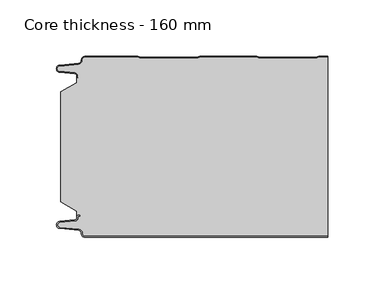
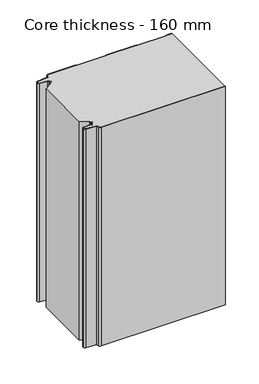
"""IFC4 building model written with IfcOpenShell, lengths in millimetres: plate geometry, Core thickness - 160 mm."""

from ifc_helpers import new_model, si_unit, frame, origin, place, context, project, spatial, polyline, circle_curve, source, transform, mapped, element, save
from ifc_brep_helpers import plane_surface, cylinder_surface, revolved_surface, advanced_brep


def core_thickness_160_mm_c2608eca(model_context):
    return source(origin(), model_context, "Body", "AdvancedBrep", [
        advanced_brep(
        [(-94.8000003, -159.9996949, 0.0), (-97.9923632, -156.5787437, 0.0), (-100.2560431, -153.9171154, 0.0), (-117.2115315, -152.2546153, 0.0), (-119.9999998, -149.1776715, 0.0), (-117.2115315, -146.1007278, 0.0), (-103.6195785, -144.7680252, 0.0), (-101.9952277, -142.9766159, 0.0), (-101.9952277, -141.8996949, 0.0), (-100.5952277, -140.4996949, 0.0), (-99.4952277, -140.4996949, 0.0), (-99.4952277, -141.2996949, 0.0), (-100.5952277, -141.2996949, 0.0), (-101.1952277, -141.8996949, 0.0), (-101.1952277, -142.9766159, 0.0), (-103.5415122, -145.5642071, 0.0), (-117.1334652, -146.8969097, 0.0), (-119.1999997, -149.1776715, 0.0), (-117.1334652, -151.4584333, 0.0), (-100.1779767, -153.1209335, 0.0), (-97.2078761, -156.6330399, 0.0), (-94.8000003, -159.1996949, 0.0), (119.9999998, -159.2, 0.0), (119.9999998, -159.9996949, 0.0), (-94.8000003, -159.1996949, 400.0), (-97.1942724, -156.6339815, 400.0), (-100.1779767, -153.1209335, 400.0), (-117.1334652, -151.4584333, 400.0), (-119.1999997, -149.1776715, 400.0), (-117.1334652, -146.8969097, 400.0), (-103.5415122, -145.5642071, 400.0), (-101.1952277, -142.9766159, 400.0), (-101.1952277, -141.8996949, 400.0), (-100.5952277, -141.2996949, 400.0), (-99.4952277, -141.2996949, 400.0), (-99.4952277, -140.4996949, 400.0), (-100.5952277, -140.4996949, 400.0), (-101.9952277, -141.8996949, 400.0), (-101.9952277, -142.9766159, 400.0), (-103.6195785, -144.7680252, 400.0), (-117.2115315, -146.1007278, 400.0), (-119.9999998, -149.1776715, 400.0), (-117.2115315, -152.2546153, 400.0), (-100.2560431, -153.9171154, 400.0), (-98.0059668, -156.5778021, 400.0), (-94.8000003, -159.9996949, 400.0), (119.9999998, -159.9996949, 400.0), (119.9999998, -159.2, 400.0)],
        [
            (0, 1, circle_curve(frame((-94.8000003, -156.7996949, 0.0), z_axis=(0.0, 0.0, -1.0), x_axis=(1.0, 0.0, 0.0)), 3.2)),
            (1, 2, circle_curve(frame((-100.5000003, -156.4051839, 0.0), z_axis=(0.0, 0.0, 1.0), x_axis=(1.0, 0.0, 0.0)), 2.5)),
            (2, 3),
            (3, 4, circle_curve(frame((-116.9100003, -149.1793626, 0.0), z_axis=(0.0, 0.0, -1.0), x_axis=(1.0, 0.0, 0.0)), 3.09)),
            (4, 5, circle_curve(frame((-116.9100003, -149.1759805, 0.0), z_axis=(0.0, 0.0, -1.0), x_axis=(1.0, 0.0, 0.0)), 3.09)),
            (5, 6),
            (6, 7, circle_curve(frame((-103.7952277, -142.9766159, 0.0), z_axis=(0.0, 0.0, 1.0), x_axis=(1.0, 0.0, 0.0)), 1.8)),
            (7, 8),
            (8, 9, circle_curve(frame((-100.5952277, -141.8996949, 0.0), z_axis=(0.0, 0.0, -1.0), x_axis=(1.0, 0.0, 0.0)), 1.4)),
            (9, 10),
            (10, 11),
            (11, 12),
            (12, 13, circle_curve(frame((-100.5952277, -141.8996949, 0.0), z_axis=(0.0, 0.0, 1.0), x_axis=(1.0, 0.0, 0.0)), 0.6)),
            (13, 14),
            (14, 15, circle_curve(frame((-103.7952277, -142.9766159, 0.0), z_axis=(0.0, 0.0, -1.0), x_axis=(1.0, 0.0, 0.0)), 2.6)),
            (15, 16),
            (16, 17, circle_curve(frame((-116.9100003, -149.1759805, 0.0), z_axis=(0.0, 0.0, 1.0), x_axis=(1.0, 0.0, 0.0)), 2.29)),
            (17, 18, circle_curve(frame((-116.9100003, -149.1793626, 0.0), z_axis=(0.0, 0.0, 1.0), x_axis=(1.0, 0.0, 0.0)), 2.29)),
            (18, 19),
            (19, 20, circle_curve(frame((-100.5000003, -156.4051839, 0.0), z_axis=(0.0, 0.0, -1.0), x_axis=(1.0, 0.0, 0.0)), 3.3)),
            (20, 21, circle_curve(frame((-94.8000003, -156.7996949, 0.0), z_axis=(0.0, 0.0, 1.0), x_axis=(1.0, 0.0, 0.0)), 2.4)),
            (21, 22),
            (22, 23),
            (23, 0),
            (24, 25, circle_curve(frame((-94.8000003, -156.7996949, 400.0), z_axis=(0.0, 0.0, -1.0), x_axis=(1.0, 0.0, 0.0)), 2.4)),
            (25, 26, circle_curve(frame((-100.5000003, -156.4051839, 400.0), z_axis=(0.0, 0.0, 1.0), x_axis=(1.0, 0.0, 0.0)), 3.3)),
            (26, 27),
            (27, 28, circle_curve(frame((-116.9100003, -149.1793626, 400.0), z_axis=(0.0, 0.0, -1.0), x_axis=(1.0, 0.0, 0.0)), 2.29)),
            (28, 29, circle_curve(frame((-116.9100003, -149.1759805, 400.0), z_axis=(0.0, 0.0, -1.0), x_axis=(1.0, 0.0, 0.0)), 2.29)),
            (29, 30),
            (30, 31, circle_curve(frame((-103.7952277, -142.9766159, 400.0), z_axis=(0.0, 0.0, 1.0), x_axis=(1.0, 0.0, 0.0)), 2.6)),
            (31, 32),
            (32, 33, circle_curve(frame((-100.5952277, -141.8996949, 400.0), z_axis=(0.0, 0.0, -1.0), x_axis=(1.0, 0.0, 0.0)), 0.6)),
            (33, 34),
            (34, 35),
            (35, 36),
            (36, 37, circle_curve(frame((-100.5952277, -141.8996949, 400.0), z_axis=(0.0, 0.0, 1.0), x_axis=(1.0, 0.0, 0.0)), 1.4)),
            (37, 38),
            (38, 39, circle_curve(frame((-103.7952277, -142.9766159, 400.0), z_axis=(0.0, 0.0, -1.0), x_axis=(1.0, 0.0, 0.0)), 1.8)),
            (39, 40),
            (40, 41, circle_curve(frame((-116.9100003, -149.1759805, 400.0), z_axis=(0.0, 0.0, 1.0), x_axis=(1.0, 0.0, 0.0)), 3.09)),
            (41, 42, circle_curve(frame((-116.9100003, -149.1793626, 400.0), z_axis=(0.0, 0.0, 1.0), x_axis=(1.0, 0.0, 0.0)), 3.09)),
            (42, 43),
            (43, 44, circle_curve(frame((-100.5000003, -156.4051839, 400.0), z_axis=(0.0, 0.0, -1.0), x_axis=(1.0, 0.0, 0.0)), 2.5)),
            (44, 45, circle_curve(frame((-94.8000003, -156.7996949, 400.0), z_axis=(0.0, 0.0, 1.0), x_axis=(1.0, 0.0, 0.0)), 3.2)),
            (45, 46),
            (46, 47),
            (47, 24),
            (21, 24),
            (47, 22),
            (20, 25),
            (19, 26),
            (18, 27),
            (17, 28),
            (16, 29),
            (15, 30),
            (14, 31),
            (13, 32),
            (12, 33),
            (11, 34),
            (10, 35),
            (9, 36),
            (8, 37),
            (7, 38),
            (6, 39),
            (5, 40),
            (4, 41),
            (3, 42),
            (2, 43),
            (1, 44),
            (0, 45),
            (23, 46),
        ],
        [
            plane_surface(frame((-119.9999998, -160.0, 0.0), z_axis=(0.0, 0.0, -1.0), x_axis=(0.0, 1.0, 0.0))),
            plane_surface(frame((-119.9999998, -160.0, 400.0), z_axis=(0.0, 0.0, 1.0), x_axis=(0.0, 1.0, 0.0))),
            plane_surface(frame((-94.8000003, -159.2, 0.0), z_axis=(0.0, 1.0, 0.0), x_axis=(0.0, 0.0, 1.0))),
            revolved_surface(polyline([(-92.40000029999999, -156.7996949, 400.0), (-92.40000029999999, -156.7996949, 0.0)]), (-94.8000003, -156.7996949, 0.0), (0.0, 0.0, 1.0)),
            cylinder_surface(frame((-100.5000003, -156.4051839, 0.0), z_axis=(0.0, 0.0, -1.0), x_axis=(1.0, 0.0, 0.0)), 3.3),
            plane_surface(frame((-117.1334652, -151.4584333, 0.0), z_axis=(0.09758289975914758, 0.9952273999818314, 0.0), x_axis=(0.0, 0.0, 1.0))),
            revolved_surface(polyline([(-114.62000029999999, -149.1793626, 400.0), (-114.62000029999999, -149.1793626, 0.0)]), (-116.9100003, -149.1793626, 0.0), (0.0, 0.0, 1.0)),
            revolved_surface(polyline([(-114.62000029999999, -149.1759805, 400.0), (-114.62000029999999, -149.1759805, 0.0)]), (-116.9100003, -149.1759805, 0.0), (0.0, 0.0, 1.0)),
            plane_surface(frame((-103.5415122, -145.5642071, 0.0), z_axis=(0.09758289975914383, -0.9952273999818317, 0.0), x_axis=(0.0, 0.0, 1.0))),
            cylinder_surface(frame((-103.7952277, -142.9766159, 0.0), z_axis=(0.0, 0.0, -1.0), x_axis=(1.0, 0.0, 0.0)), 2.6),
            plane_surface(frame((-101.1952277, -141.8996949, 0.0), z_axis=(1.0, 0.0, 0.0), x_axis=(0.0, 0.0, 1.0))),
            revolved_surface(polyline([(-99.9952277, -141.8996949, 400.0), (-99.9952277, -141.8996949, 0.0)]), (-100.5952277, -141.8996949, 0.0), (0.0, 0.0, 1.0)),
            plane_surface(frame((-99.4952277, -141.2996949, 0.0), z_axis=(0.0, -1.0, 0.0), x_axis=(0.0, 0.0, 1.0))),
            plane_surface(frame((-99.4952277, -140.4996949, 0.0), z_axis=(1.0, 0.0, 0.0), x_axis=(0.0, 0.0, 1.0))),
            plane_surface(frame((-100.5952277, -140.4996949, 0.0), z_axis=(0.0, 1.0, 0.0), x_axis=(0.0, 0.0, 1.0))),
            cylinder_surface(frame((-100.5952277, -141.8996949, 0.0), z_axis=(0.0, 0.0, -1.0), x_axis=(1.0, 0.0, 0.0)), 1.4),
            plane_surface(frame((-101.9952277, -142.9766159, 0.0), z_axis=(-1.0, 0.0, 0.0), x_axis=(0.0, 0.0, 1.0))),
            revolved_surface(polyline([(-101.9952277, -142.9766159, 400.0), (-101.9952277, -142.9766159, 0.0)]), (-103.7952277, -142.9766159, 0.0), (0.0, 0.0, 1.0)),
            plane_surface(frame((-117.2115315, -146.1007278, 0.0), z_axis=(-0.09758289975914387, 0.9952273999818317, 0.0), x_axis=(0.0, 0.0, 1.0))),
            cylinder_surface(frame((-116.9100003, -149.1759805, 0.0), z_axis=(0.0, 0.0, -1.0), x_axis=(1.0, 0.0, 0.0)), 3.09),
            cylinder_surface(frame((-116.9100003, -149.1793626, 0.0), z_axis=(0.0, 0.0, -1.0), x_axis=(1.0, 0.0, 0.0)), 3.09),
            plane_surface(frame((-100.2560431, -153.9171154, 0.0), z_axis=(-0.09758289975914762, -0.9952273999818314, 0.0), x_axis=(0.0, 0.0, 1.0))),
            revolved_surface(polyline([(-98.0000003, -156.4051839, 400.0), (-98.0000003, -156.4051839, 0.0)]), (-100.5000003, -156.4051839, 0.0), (0.0, 0.0, 1.0)),
            cylinder_surface(frame((-94.8000003, -156.7996949, 0.0), z_axis=(0.0, 0.0, -1.0), x_axis=(1.0, 0.0, 0.0)), 3.2),
            plane_surface(frame((896.009932, -159.9996949, 0.0), z_axis=(0.0, -1.0, 0.0), x_axis=(0.0, 0.0, 1.0))),
            plane_surface(frame((119.9999998, 180.0, 400.0), z_axis=(1.0, 0.0, 0.0), x_axis=(0.0, 0.0, -1.0))),
        ],
        [
            (0, [[1, 2, 3, 4, 5, 6, 7, 8, 9, 10, 11, 12, 13, 14, 15, 16, 17, 18, 19, 20, 21, 22, 23, 24]]),
            (1, [[25, 26, 27, 28, 29, 30, 31, 32, 33, 34, 35, 36, 37, 38, 39, 40, 41, 42, 43, 44, 45, 46, 47, 48]]),
            (2, [[49, -48, 50, -22]]),
            (3, [[-21, 51, -25, -49]]),
            (4, [[-20, 52, -26, -51]]),
            (5, [[-19, 53, -27, -52]]),
            (6, [[-18, 54, -28, -53]]),
            (7, [[-17, 55, -29, -54]]),
            (8, [[-16, 56, -30, -55]]),
            (9, [[-15, 57, -31, -56]]),
            (10, [[-14, 58, -32, -57]]),
            (11, [[-13, 59, -33, -58]]),
            (12, [[-12, 60, -34, -59]]),
            (13, [[-11, 61, -35, -60]]),
            (14, [[-10, 62, -36, -61]]),
            (15, [[-9, 63, -37, -62]]),
            (16, [[-8, 64, -38, -63]]),
            (17, [[-7, 65, -39, -64]]),
            (18, [[-6, 66, -40, -65]]),
            (19, [[-5, 67, -41, -66]]),
            (20, [[-4, 68, -42, -67]]),
            (21, [[-3, 69, -43, -68]]),
            (22, [[-2, 70, -44, -69]]),
            (23, [[-1, 71, -45, -70]]),
            (24, [[-71, -24, 72, -46]]),
            (25, [[-23, -50, -47, -72]]),
        ],
    ),
        advanced_brep(
        [(-101.9952277, -23.1062917, 400.0), (-116.0446509, -31.1628062, 400.0), (-116.0446509, -128.7531937, 400.0), (-101.9952277, -136.8937083, 400.0), (-101.9952277, -140.4996949, 400.0), (-101.9952277, -141.8996949, 400.0), (-100.5952277, -140.4996949, 400.0), (-99.4952277, -140.4996949, 400.0), (-99.4952277, -141.2996949, 400.0), (-100.5952277, -141.2996949, 400.0), (-101.1952277, -141.8996949, 400.0), (-101.1952277, -142.9766159, 400.0), (-103.5415122, -145.5642071, 400.0), (-117.1334652, -146.8969097, 400.0), (-119.1999997, -149.1776715, 400.0), (-117.1334652, -151.4584333, 400.0), (-100.1779767, -153.1209335, 400.0), (-97.2078761, -156.6330399, 400.0), (-94.8000003, -159.1996949, 400.0), (119.9999998, -159.2, 400.0), (119.9999998, -0.8, 400.0), (112.3119565, -0.8, 400.0), (111.2605406, -1.0986697, 400.0), (109.8401597, -1.5003051, 400.0), (59.6803765, -1.5003051, 400.0), (58.2609651, -1.0971009, 400.0), (57.2085797, -0.8, 400.0), (7.0487965, -0.8, 400.0), (5.9973806, -1.0986697, 400.0), (4.5769997, -1.5003051, 400.0), (-45.5827835, -1.5003051, 400.0), (-47.0021949, -1.0971009, 400.0), (-48.0545803, -0.8, 400.0), (-94.8000003, -0.8, 400.0), (-97.1942724, -3.3660185, 400.0), (-100.1779767, -6.8790665, 400.0), (-117.1334652, -8.5415667, 400.0), (-119.1999997, -10.8223285, 400.0), (-117.1334652, -13.1030903, 400.0), (-103.5415122, -14.4357929, 400.0), (-101.1952277, -17.0233841, 400.0), (-101.1952277, -18.1003051, 400.0), (-100.5952277, -18.7003051, 400.0), (-99.4952277, -18.7003051, 400.0), (-99.4952277, -19.5003051, 400.0), (-100.5952277, -19.5003051, 400.0), (-101.9952277, -18.1003051, 400.0), (-101.9952277, -19.5003051, 400.0), (-101.9952277, -136.8937083, 0.0), (-116.0446509, -128.7531937, 0.0), (-116.0446509, -31.1628062, 0.0), (-101.9952277, -23.1062917, 0.0), (-101.9952277, -19.5003051, 0.0), (-101.9952277, -18.1003051, 0.0), (-100.5952277, -19.5003051, 0.0), (-99.4952277, -19.5003051, 0.0), (-99.4952277, -18.7003051, 0.0), (-100.5952277, -18.7003051, 0.0), (-101.1952277, -18.1003051, 0.0), (-101.1952277, -17.0233841, 0.0), (-103.5415122, -14.4357929, 0.0), (-117.1334652, -13.1030903, 0.0), (-119.1999997, -10.8223285, 0.0), (-117.1334652, -8.5415667, 0.0), (-100.1779767, -6.8790665, 0.0), (-97.2078761, -3.3669601, 0.0), (-94.8000003, -0.8003051, 0.0), (-48.0545803, -0.8, 0.0), (-47.0031645, -1.0986697, 0.0), (-45.5827835, -1.5003051, 0.0), (4.5769997, -1.5003051, 0.0), (5.9964111, -1.0971009, 0.0), (7.0487965, -0.8, 0.0), (57.2085797, -0.8, 0.0), (58.2599955, -1.0986697, 0.0), (59.6803765, -1.5003051, 0.0), (109.8401597, -1.5003051, 0.0), (111.2595711, -1.0971009, 0.0), (112.3119565, -0.8, 0.0), (119.9999998, -0.8, 0.0), (119.9999998, -159.2, 0.0), (-94.8000003, -159.2, 0.0), (-97.1942724, -156.6339815, 0.0), (-100.1779767, -153.1209335, 0.0), (-117.1334652, -151.4584333, 0.0), (-119.1999997, -149.1776715, 0.0), (-117.1334652, -146.8969097, 0.0), (-103.5415122, -145.5642071, 0.0), (-101.1952277, -142.9766159, 0.0), (-101.1952277, -141.8996949, 0.0), (-100.5952277, -141.2996949, 0.0), (-99.4952277, -141.2996949, 0.0), (-99.4952277, -140.4996949, 0.0), (-100.5952277, -140.4996949, 0.0), (-101.9952277, -141.8996949, 0.0), (-101.9952277, -140.4996949, 0.0)],
        [
            (0, 1),
            (1, 2),
            (2, 3),
            (3, 4),
            (4, 5),
            (5, 6, circle_curve(frame((-100.5952277, -141.8996949, 400.0), z_axis=(0.0, 0.0, -1.0), x_axis=(1.0, 0.0, 0.0)), 1.4)),
            (6, 7),
            (7, 8),
            (8, 9),
            (9, 10, circle_curve(frame((-100.5952277, -141.8996949, 400.0), z_axis=(0.0, 0.0, 1.0), x_axis=(1.0, 0.0, 0.0)), 0.6)),
            (10, 11),
            (11, 12, circle_curve(frame((-103.7952277, -142.9766159, 400.0), z_axis=(0.0, 0.0, -1.0), x_axis=(1.0, 0.0, 0.0)), 2.6)),
            (12, 13),
            (13, 14, circle_curve(frame((-116.9100003, -149.1759805, 400.0), z_axis=(0.0, 0.0, 1.0), x_axis=(1.0, 0.0, 0.0)), 2.29)),
            (14, 15, circle_curve(frame((-116.9100003, -149.1793626, 400.0), z_axis=(0.0, 0.0, 1.0), x_axis=(1.0, 0.0, 0.0)), 2.29)),
            (15, 16),
            (16, 17, circle_curve(frame((-100.5000003, -156.4051839, 400.0), z_axis=(0.0, 0.0, -1.0), x_axis=(1.0, 0.0, 0.0)), 3.3)),
            (17, 18, circle_curve(frame((-94.8000003, -156.7996949, 400.0), z_axis=(0.0, 0.0, 1.0), x_axis=(1.0, 0.0, 0.0)), 2.4)),
            (18, 19),
            (19, 20),
            (20, 21),
            (21, 22, circle_curve(frame((112.3119565, -2.8, 400.0), z_axis=(0.0, 0.0, 1.0), x_axis=(1.0, 0.0, 0.0)), 2.0)),
            (22, 23, circle_curve(frame((109.8401597, 1.1996949, 400.0), z_axis=(0.0, 0.0, -1.0), x_axis=(1.0, 0.0, 0.0)), 2.7)),
            (23, 24),
            (24, 25, circle_curve(frame((59.6803765, 1.1996949, 400.0), z_axis=(0.0, 0.0, -1.0), x_axis=(1.0, 0.0, 0.0)), 2.7)),
            (25, 26, circle_curve(frame((57.2085797, -2.8, 400.0), z_axis=(0.0, 0.0, 1.0), x_axis=(1.0, 0.0, 0.0)), 2.0)),
            (26, 27),
            (27, 28, circle_curve(frame((7.0487965, -2.8, 400.0), z_axis=(0.0, 0.0, 1.0), x_axis=(1.0, 0.0, 0.0)), 2.0)),
            (28, 29, circle_curve(frame((4.5769997, 1.1996949, 400.0), z_axis=(0.0, 0.0, -1.0), x_axis=(1.0, 0.0, 0.0)), 2.7)),
            (29, 30),
            (30, 31, circle_curve(frame((-45.5827835, 1.1996949, 400.0), z_axis=(0.0, 0.0, -1.0), x_axis=(1.0, 0.0, 0.0)), 2.7)),
            (31, 32, circle_curve(frame((-48.0545803, -2.8, 400.0), z_axis=(0.0, 0.0, 1.0), x_axis=(1.0, 0.0, 0.0)), 2.0)),
            (32, 33),
            (33, 34, circle_curve(frame((-94.8000003, -3.2003051, 400.0), z_axis=(0.0, 0.0, 1.0), x_axis=(1.0, 0.0, 0.0)), 2.4)),
            (34, 35, circle_curve(frame((-100.5000003, -3.5948161, 400.0), z_axis=(0.0, 0.0, -1.0), x_axis=(1.0, 0.0, 0.0)), 3.3)),
            (35, 36),
            (36, 37, circle_curve(frame((-116.9100003, -10.8206374, 400.0), z_axis=(0.0, 0.0, 1.0), x_axis=(1.0, 0.0, 0.0)), 2.29)),
            (37, 38, circle_curve(frame((-116.9100003, -10.8240195, 400.0), z_axis=(0.0, 0.0, 1.0), x_axis=(1.0, 0.0, 0.0)), 2.29)),
            (38, 39),
            (39, 40, circle_curve(frame((-103.7952277, -17.0233841, 400.0), z_axis=(0.0, 0.0, -1.0), x_axis=(1.0, 0.0, 0.0)), 2.6)),
            (40, 41),
            (41, 42, circle_curve(frame((-100.5952277, -18.1003051, 400.0), z_axis=(0.0, 0.0, 1.0), x_axis=(1.0, 0.0, 0.0)), 0.6)),
            (42, 43),
            (43, 44),
            (44, 45),
            (45, 46, circle_curve(frame((-100.5952277, -18.1003051, 400.0), z_axis=(0.0, 0.0, -1.0), x_axis=(1.0, 0.0, 0.0)), 1.4)),
            (46, 47),
            (47, 0),
            (48, 49),
            (49, 50),
            (50, 51),
            (51, 52),
            (52, 53),
            (53, 54, circle_curve(frame((-100.5952277, -18.1003051, 0.0), z_axis=(0.0, 0.0, 1.0), x_axis=(1.0, 0.0, 0.0)), 1.4)),
            (54, 55),
            (55, 56),
            (56, 57),
            (57, 58, circle_curve(frame((-100.5952277, -18.1003051, 0.0), z_axis=(0.0, 0.0, -1.0), x_axis=(1.0, 0.0, 0.0)), 0.6)),
            (58, 59),
            (59, 60, circle_curve(frame((-103.7952277, -17.0233841, 0.0), z_axis=(0.0, 0.0, 1.0), x_axis=(1.0, 0.0, 0.0)), 2.6)),
            (60, 61),
            (61, 62, circle_curve(frame((-116.9100003, -10.8240195, 0.0), z_axis=(0.0, 0.0, -1.0), x_axis=(1.0, 0.0, 0.0)), 2.29)),
            (62, 63, circle_curve(frame((-116.9100003, -10.8206374, 0.0), z_axis=(0.0, 0.0, -1.0), x_axis=(1.0, 0.0, 0.0)), 2.29)),
            (63, 64),
            (64, 65, circle_curve(frame((-100.5000003, -3.5948161, 0.0), z_axis=(0.0, 0.0, 1.0), x_axis=(1.0, 0.0, 0.0)), 3.3)),
            (65, 66, circle_curve(frame((-94.8000003, -3.2003051, 0.0), z_axis=(0.0, 0.0, -1.0), x_axis=(1.0, 0.0, 0.0)), 2.4)),
            (66, 67),
            (67, 68, circle_curve(frame((-48.0545803, -2.8, 0.0), z_axis=(0.0, 0.0, -1.0), x_axis=(1.0, 0.0, 0.0)), 2.0)),
            (68, 69, circle_curve(frame((-45.5827835, 1.1996949, 0.0), z_axis=(0.0, 0.0, 1.0), x_axis=(1.0, 0.0, 0.0)), 2.7)),
            (69, 70),
            (70, 71, circle_curve(frame((4.5769997, 1.1996949, 0.0), z_axis=(0.0, 0.0, 1.0), x_axis=(1.0, 0.0, 0.0)), 2.7)),
            (71, 72, circle_curve(frame((7.0487965, -2.8, 0.0), z_axis=(0.0, 0.0, -1.0), x_axis=(1.0, 0.0, 0.0)), 2.0)),
            (72, 73),
            (73, 74, circle_curve(frame((57.2085797, -2.8, 0.0), z_axis=(0.0, 0.0, -1.0), x_axis=(1.0, 0.0, 0.0)), 2.0)),
            (74, 75, circle_curve(frame((59.6803765, 1.1996949, 0.0), z_axis=(0.0, 0.0, 1.0), x_axis=(1.0, 0.0, 0.0)), 2.7)),
            (75, 76),
            (76, 77, circle_curve(frame((109.8401597, 1.1996949, 0.0), z_axis=(0.0, 0.0, 1.0), x_axis=(1.0, 0.0, 0.0)), 2.7)),
            (77, 78, circle_curve(frame((112.3119565, -2.8, 0.0), z_axis=(0.0, 0.0, -1.0), x_axis=(1.0, 0.0, 0.0)), 2.0)),
            (78, 79),
            (79, 80),
            (80, 81),
            (81, 82, circle_curve(frame((-94.8000003, -156.7996949, 0.0), z_axis=(0.0, 0.0, -1.0), x_axis=(1.0, 0.0, 0.0)), 2.4)),
            (82, 83, circle_curve(frame((-100.5000003, -156.4051839, 0.0), z_axis=(0.0, 0.0, 1.0), x_axis=(1.0, 0.0, 0.0)), 3.3)),
            (83, 84),
            (84, 85, circle_curve(frame((-116.9100003, -149.1793626, 0.0), z_axis=(0.0, 0.0, -1.0), x_axis=(1.0, 0.0, 0.0)), 2.29)),
            (85, 86, circle_curve(frame((-116.9100003, -149.1759805, 0.0), z_axis=(0.0, 0.0, -1.0), x_axis=(1.0, 0.0, 0.0)), 2.29)),
            (86, 87),
            (87, 88, circle_curve(frame((-103.7952277, -142.9766159, 0.0), z_axis=(0.0, 0.0, 1.0), x_axis=(1.0, 0.0, 0.0)), 2.6)),
            (88, 89),
            (89, 90, circle_curve(frame((-100.5952277, -141.8996949, 0.0), z_axis=(0.0, 0.0, -1.0), x_axis=(1.0, 0.0, 0.0)), 0.6)),
            (90, 91),
            (91, 92),
            (92, 93),
            (93, 94, circle_curve(frame((-100.5952277, -141.8996949, 0.0), z_axis=(0.0, 0.0, 1.0), x_axis=(1.0, 0.0, 0.0)), 1.4)),
            (94, 95),
            (95, 48),
            (51, 0),
            (46, 53),
            (1, 50),
            (49, 2),
            (48, 3),
            (94, 5),
            (18, 81),
            (80, 19),
            (17, 82),
            (16, 83),
            (15, 84),
            (14, 85),
            (13, 86),
            (12, 87),
            (11, 88),
            (10, 89),
            (9, 90),
            (8, 91),
            (7, 92),
            (6, 93),
            (66, 33),
            (32, 67),
            (31, 68),
            (30, 69),
            (29, 70),
            (28, 71),
            (27, 72),
            (26, 73),
            (25, 74),
            (24, 75),
            (23, 76),
            (22, 77),
            (21, 78),
            (20, 79),
            (45, 54),
            (44, 55),
            (43, 56),
            (42, 57),
            (41, 58),
            (40, 59),
            (39, 60),
            (38, 61),
            (37, 62),
            (36, 63),
            (35, 64),
            (34, 65),
        ],
        [
            plane_surface(frame((-119.9999998, 0.0, 400.0), z_axis=(0.0, 0.0, 1.0), x_axis=(0.0, -1.0, 0.0))),
            plane_surface(frame((-119.9999998, 0.0, 0.0), z_axis=(0.0, 0.0, -1.0), x_axis=(0.0, -1.0, 0.0))),
            plane_surface(frame((-101.9952277, -17.0229218, 400.0), z_axis=(-1.0, 0.0, 0.0), x_axis=(0.0, 0.0, -1.0))),
            plane_surface(frame((-116.0446509, -31.1628062, 400.0), z_axis=(-1.0, 0.0, 0.0), x_axis=(0.0, 0.0, -1.0))),
            plane_surface(frame((-101.9952277, -23.1062917, 400.0), z_axis=(-0.4974543664933155, 0.8674901459133322, 0.0), x_axis=(0.0, 0.0, -1.0))),
            plane_surface(frame((-116.0446509, -128.7531937, 400.0), z_axis=(-0.5013424225369615, -0.8652489672717159, 0.0), x_axis=(0.0, 0.0, -1.0))),
            plane_surface(frame((-101.9952277, -136.8937083, 400.0), z_axis=(-1.0, 0.0, 0.0), x_axis=(0.0, 0.0, -1.0))),
            plane_surface(frame((896.009932, -159.2, 530.0), z_axis=(0.0, -1.0, 0.0), x_axis=(0.0, 0.0, -1.0))),
            cylinder_surface(frame((-94.8000003, -156.7996949, 530.0), z_axis=(0.0, 0.0, -1.0), x_axis=(1.0, 0.0, 0.0)), 2.4),
            revolved_surface(polyline([(-97.2000003, -156.4051839, 400.0), (-97.2000003, -156.4051839, 0.0)]), (-100.5000003, -156.4051839, 530.0), (0.0, 0.0, 1.0)),
            plane_surface(frame((-100.1779767, -153.1209335, 530.0), z_axis=(-0.09758289975914758, -0.9952273999818314, 0.0), x_axis=(0.0, 0.0, -1.0))),
            cylinder_surface(frame((-116.9100003, -149.1793626, 530.0), z_axis=(0.0, 0.0, -1.0), x_axis=(1.0, 0.0, 0.0)), 2.29),
            cylinder_surface(frame((-116.9100003, -149.1759805, 530.0), z_axis=(0.0, 0.0, -1.0), x_axis=(1.0, 0.0, 0.0)), 2.29),
            plane_surface(frame((-117.1334652, -146.8969097, 530.0), z_axis=(-0.09758289975914383, 0.9952273999818317, 0.0), x_axis=(0.0, 0.0, -1.0))),
            revolved_surface(polyline([(-101.1952277, -142.9766159, 400.0), (-101.1952277, -142.9766159, 0.0)]), (-103.7952277, -142.9766159, 530.0), (0.0, 0.0, 1.0)),
            plane_surface(frame((-101.1952277, -142.9766159, 530.0), z_axis=(-1.0, 0.0, 0.0), x_axis=(0.0, 0.0, -1.0))),
            cylinder_surface(frame((-100.5952277, -141.8996949, 530.0), z_axis=(0.0, 0.0, -1.0), x_axis=(1.0, 0.0, 0.0)), 0.6),
            plane_surface(frame((-100.5952277, -141.2996949, 530.0), z_axis=(0.0, 1.0, 0.0), x_axis=(0.0, 0.0, -1.0))),
            plane_surface(frame((-99.4952277, -141.2996949, 530.0), z_axis=(-1.0, 0.0, 0.0), x_axis=(0.0, 0.0, -1.0))),
            plane_surface(frame((-99.4952277, -140.4996949, 530.0), z_axis=(0.0, -1.0, 0.0), x_axis=(0.0, 0.0, -1.0))),
            revolved_surface(polyline([(-99.19522769999999, -141.8996949, 400.0), (-99.19522769999999, -141.8996949, 0.0)]), (-100.5952277, -141.8996949, 530.0), (0.0, 0.0, 1.0)),
            plane_surface(frame((-94.8000003, -0.8, 530.0), z_axis=(0.0, 1.0, 0.0), x_axis=(0.0, 0.0, -1.0))),
            cylinder_surface(frame((-48.0545803, -2.8, 530.0), z_axis=(0.0, 0.0, -1.0), x_axis=(1.0, 0.0, 0.0)), 2.0),
            revolved_surface(polyline([(-42.882783499999995, 1.1996949, 400.0), (-42.882783499999995, 1.1996949, 0.0)]), (-45.5827835, 1.1996949, 530.0), (0.0, 0.0, 1.0)),
            plane_surface(frame((-45.5827835, -1.5003051, 530.0), z_axis=(0.0, 1.0, 0.0), x_axis=(0.0, 0.0, -1.0))),
            revolved_surface(polyline([(7.2769997, 1.1996949, 400.0), (7.2769997, 1.1996949, 0.0)]), (4.5769997, 1.1996949, 530.0), (0.0, 0.0, 1.0)),
            cylinder_surface(frame((7.0487965, -2.8, 530.0), z_axis=(0.0, 0.0, -1.0), x_axis=(1.0, 0.0, 0.0)), 2.0),
            plane_surface(frame((7.0487965, -0.8, 530.0), z_axis=(0.0, 1.0, 0.0), x_axis=(0.0, 0.0, -1.0))),
            cylinder_surface(frame((57.2085797, -2.8, 530.0), z_axis=(0.0, 0.0, -1.0), x_axis=(1.0, 0.0, 0.0)), 2.0),
            revolved_surface(polyline([(62.380376500000004, 1.1996949, 400.0), (62.380376500000004, 1.1996949, 0.0)]), (59.6803765, 1.1996949, 530.0), (0.0, 0.0, 1.0)),
            plane_surface(frame((59.6803765, -1.5003051, 530.0), z_axis=(0.0, 1.0, 0.0), x_axis=(0.0, 0.0, -1.0))),
            revolved_surface(polyline([(112.5401597, 1.1996949, 400.0), (112.5401597, 1.1996949, 0.0)]), (109.8401597, 1.1996949, 530.0), (0.0, 0.0, 1.0)),
            cylinder_surface(frame((112.3119565, -2.8, 530.0), z_axis=(0.0, 0.0, -1.0), x_axis=(1.0, 0.0, 0.0)), 2.0),
            plane_surface(frame((112.3119565, -0.8, 530.0), z_axis=(0.0, 1.0, 0.0), x_axis=(0.0, 0.0, -1.0))),
            revolved_surface(polyline([(-99.19522769999999, -18.1003051, 400.0), (-99.19522769999999, -18.1003051, 0.0)]), (-100.5952277, -18.1003051, 530.0), (0.0, 0.0, 1.0)),
            plane_surface(frame((-100.5952277, -19.5003051, 530.0), z_axis=(0.0, 1.0, 0.0), x_axis=(0.0, 0.0, -1.0))),
            plane_surface(frame((-99.4952277, -19.5003051, 530.0), z_axis=(-1.0, 0.0, 0.0), x_axis=(0.0, 0.0, -1.0))),
            plane_surface(frame((-99.4952277, -18.7003051, 530.0), z_axis=(0.0, -1.0, 0.0), x_axis=(0.0, 0.0, -1.0))),
            cylinder_surface(frame((-100.5952277, -18.1003051, 530.0), z_axis=(0.0, 0.0, -1.0), x_axis=(1.0, 0.0, 0.0)), 0.6),
            plane_surface(frame((-101.1952277, -18.1003051, 530.0), z_axis=(-1.0, 0.0, 0.0), x_axis=(0.0, 0.0, -1.0))),
            revolved_surface(polyline([(-101.1952277, -17.0233841, 400.0), (-101.1952277, -17.0233841, 0.0)]), (-103.7952277, -17.0233841, 530.0), (0.0, 0.0, 1.0)),
            plane_surface(frame((-103.5415122, -14.4357929, 530.0), z_axis=(-0.09758289975914705, -0.9952273999818314, 0.0), x_axis=(0.0, 0.0, -1.0))),
            cylinder_surface(frame((-116.9100003, -10.8240195, 530.0), z_axis=(0.0, 0.0, -1.0), x_axis=(1.0, 0.0, 0.0)), 2.29),
            cylinder_surface(frame((-116.9100003, -10.8206374, 530.0), z_axis=(0.0, 0.0, -1.0), x_axis=(1.0, 0.0, 0.0)), 2.29),
            plane_surface(frame((-117.1334652, -8.5415667, 530.0), z_axis=(-0.09758289975914436, 0.9952273999818317, 0.0), x_axis=(0.0, 0.0, -1.0))),
            revolved_surface(polyline([(-97.2000003, -3.5948161, 400.0), (-97.2000003, -3.5948161, 0.0)]), (-100.5000003, -3.5948161, 530.0), (0.0, 0.0, 1.0)),
            cylinder_surface(frame((-94.8000003, -3.2003051, 530.0), z_axis=(0.0, 0.0, -1.0), x_axis=(1.0, 0.0, 0.0)), 2.4),
            plane_surface(frame((119.9999998, 180.0, 400.0), z_axis=(1.0, 0.0, 0.0), x_axis=(0.0, 0.0, -1.0))),
        ],
        [
            (0, [[1, 2, 3, 4, 5, 6, 7, 8, 9, 10, 11, 12, 13, 14, 15, 16, 17, 18, 19, 20, 21, 22, 23, 24, 25, 26, 27, 28, 29, 30, 31, 32, 33, 34, 35, 36, 37, 38, 39, 40, 41, 42, 43, 44, 45, 46, 47, 48]]),
            (1, [[49, 50, 51, 52, 53, 54, 55, 56, 57, 58, 59, 60, 61, 62, 63, 64, 65, 66, 67, 68, 69, 70, 71, 72, 73, 74, 75, 76, 77, 78, 79, 80, 81, 82, 83, 84, 85, 86, 87, 88, 89, 90, 91, 92, 93, 94, 95, 96]]),
            (2, [[97, -48, -47, 98, -53, -52]]),
            (3, [[-2, 99, -50, 100]]),
            (4, [[-1, -97, -51, -99]]),
            (5, [[-3, -100, -49, 101]]),
            (6, [[-101, -96, -95, 102, -5, -4]]),
            (7, [[103, -81, 104, -19]]),
            (8, [[-103, -18, 105, -82]]),
            (9, [[-105, -17, 106, -83]]),
            (10, [[-106, -16, 107, -84]]),
            (11, [[-107, -15, 108, -85]]),
            (12, [[-108, -14, 109, -86]]),
            (13, [[-109, -13, 110, -87]]),
            (14, [[-110, -12, 111, -88]]),
            (15, [[-111, -11, 112, -89]]),
            (16, [[-112, -10, 113, -90]]),
            (17, [[-113, -9, 114, -91]]),
            (18, [[-114, -8, 115, -92]]),
            (19, [[-115, -7, 116, -93]]),
            (20, [[-116, -6, -102, -94]]),
            (21, [[117, -33, 118, -67]]),
            (22, [[-118, -32, 119, -68]]),
            (23, [[-119, -31, 120, -69]]),
            (24, [[-120, -30, 121, -70]]),
            (25, [[-121, -29, 122, -71]]),
            (26, [[-122, -28, 123, -72]]),
            (27, [[-123, -27, 124, -73]]),
            (28, [[-124, -26, 125, -74]]),
            (29, [[-125, -25, 126, -75]]),
            (30, [[-126, -24, 127, -76]]),
            (31, [[-127, -23, 128, -77]]),
            (32, [[-128, -22, 129, -78]]),
            (33, [[-129, -21, 130, -79]]),
            (34, [[131, -54, -98, -46]]),
            (35, [[-131, -45, 132, -55]]),
            (36, [[-132, -44, 133, -56]]),
            (37, [[-133, -43, 134, -57]]),
            (38, [[-134, -42, 135, -58]]),
            (39, [[-135, -41, 136, -59]]),
            (40, [[-136, -40, 137, -60]]),
            (41, [[-137, -39, 138, -61]]),
            (42, [[-138, -38, 139, -62]]),
            (43, [[-139, -37, 140, -63]]),
            (44, [[-140, -36, 141, -64]]),
            (45, [[-141, -35, 142, -65]]),
            (46, [[-117, -66, -142, -34]]),
            (47, [[-104, -80, -130, -20]]),
        ],
    ),
        advanced_brep(
        [(-47.0031645, -1.0986697, 0.0), (-48.0545803, -0.8, 0.0), (-94.8000003, -0.8, 0.0), (-97.1942724, -3.3660185, 0.0), (-100.1779767, -6.8790665, 0.0), (-117.1334652, -8.5415667, 0.0), (-119.1999997, -10.8223285, 0.0), (-117.1334652, -13.1030903, 0.0), (-103.5415122, -14.4357929, 0.0), (-101.1952277, -17.0233841, 0.0), (-101.1952277, -18.1003051, 0.0), (-100.5952277, -18.7003051, 0.0), (-99.4952277, -18.7003051, 0.0), (-99.4952277, -19.5003051, 0.0), (-100.5952277, -19.5003051, 0.0), (-101.9952277, -18.1003051, 0.0), (-101.9952277, -17.0233841, 0.0), (-103.6195785, -15.2319748, 0.0), (-117.2115315, -13.8992722, 0.0), (-119.9999998, -10.8223285, 0.0), (-117.2115315, -7.7453847, 0.0), (-100.2560431, -6.0828846, 0.0), (-98.0059668, -3.4221979, 0.0), (-94.8000003, -0.0003051, 0.0), (-48.0545803, -0.0003051, 0.0), (-46.6352472, -0.4034608, 0.0), (-45.5827835, -0.7003051, 0.0), (4.5769997, -0.7003051, 0.0), (5.6283575, -0.4016712, 0.0), (7.0487965, -0.0003051, 0.0), (57.2085797, -0.0003051, 0.0), (58.6279128, -0.4034608, 0.0), (59.6803765, -0.7003051, 0.0), (109.8401597, -0.7003051, 0.0), (110.8915175, -0.4016712, 0.0), (112.3119565, -0.0003051, 0.0), (119.9999998, -0.0003051, 0.0), (119.9999998, -0.8, 0.0), (112.3119565, -0.8, 0.0), (111.2605406, -1.0986697, 0.0), (109.8401597, -1.5003051, 0.0), (59.6803765, -1.5003051, 0.0), (58.2609651, -1.0971009, 0.0), (57.2085797, -0.8, 0.0), (7.0487965, -0.8, 0.0), (5.9973806, -1.0986697, 0.0), (4.5769997, -1.5003051, 0.0), (-45.5827835, -1.5003051, 0.0), (-47.0021949, -1.0971009, 400.0), (-45.5827835, -1.5003051, 400.0), (4.5769997, -1.5003051, 400.0), (5.9964111, -1.0971009, 400.0), (7.0487965, -0.8, 400.0), (57.2085797, -0.8, 400.0), (58.2599955, -1.0986697, 400.0), (59.6803765, -1.5003051, 400.0), (109.8401597, -1.5003051, 400.0), (111.2595711, -1.0971009, 400.0), (112.3119565, -0.8, 400.0), (119.9999998, -0.8, 400.0), (119.9999998, -0.0003051, 400.0), (112.3119565, -0.0003051, 400.0), (110.8926234, -0.4034608, 400.0), (109.8401597, -0.7003051, 400.0), (59.6803765, -0.7003051, 400.0), (58.6290186, -0.4016712, 400.0), (57.2085797, -0.0003051, 400.0), (7.0487965, -0.0003051, 400.0), (5.6294634, -0.4034608, 400.0), (4.5769997, -0.7003051, 400.0), (-45.5827835, -0.7003051, 400.0), (-46.6341414, -0.4016712, 400.0), (-48.0545803, -0.0003051, 400.0), (-94.8000003, -0.0003051, 400.0), (-97.9923632, -3.4212563, 400.0), (-100.2560431, -6.0828846, 400.0), (-117.2115315, -7.7453847, 400.0), (-119.9999998, -10.8223285, 400.0), (-117.2115315, -13.8992722, 400.0), (-103.6195785, -15.2319748, 400.0), (-101.9952277, -17.0233841, 400.0), (-101.9952277, -18.1003051, 400.0), (-100.5952277, -19.5003051, 400.0), (-99.4952277, -19.5003051, 400.0), (-99.4952277, -18.7003051, 400.0), (-100.5952277, -18.7003051, 400.0), (-101.1952277, -18.1003051, 400.0), (-101.1952277, -17.0233841, 400.0), (-103.5415122, -14.4357929, 400.0), (-117.1334652, -13.1030903, 400.0), (-119.1999997, -10.8223285, 400.0), (-117.1334652, -8.5415667, 400.0), (-100.1779767, -6.8790665, 400.0), (-97.2078761, -3.3669601, 400.0), (-94.8000003, -0.8003051, 400.0), (-48.0545803, -0.8, 400.0)],
        [
            (0, 1, circle_curve(frame((-48.0545803, -2.8, 0.0), z_axis=(0.0, 0.0, 1.0), x_axis=(1.0, 0.0, 0.0)), 2.0)),
            (1, 2),
            (2, 3, circle_curve(frame((-94.8000003, -3.2003051, 0.0), z_axis=(0.0, 0.0, 1.0), x_axis=(1.0, 0.0, 0.0)), 2.4)),
            (3, 4, circle_curve(frame((-100.5000003, -3.5948161, 0.0), z_axis=(0.0, 0.0, -1.0), x_axis=(1.0, 0.0, 0.0)), 3.3)),
            (4, 5),
            (5, 6, circle_curve(frame((-116.9100003, -10.8206374, 0.0), z_axis=(0.0, 0.0, 1.0), x_axis=(1.0, 0.0, 0.0)), 2.29)),
            (6, 7, circle_curve(frame((-116.9100003, -10.8240195, 0.0), z_axis=(0.0, 0.0, 1.0), x_axis=(1.0, 0.0, 0.0)), 2.29)),
            (7, 8),
            (8, 9, circle_curve(frame((-103.7952277, -17.0233841, 0.0), z_axis=(0.0, 0.0, -1.0), x_axis=(1.0, 0.0, 0.0)), 2.6)),
            (9, 10),
            (10, 11, circle_curve(frame((-100.5952277, -18.1003051, 0.0), z_axis=(0.0, 0.0, 1.0), x_axis=(1.0, 0.0, 0.0)), 0.6)),
            (11, 12),
            (12, 13),
            (13, 14),
            (14, 15, circle_curve(frame((-100.5952277, -18.1003051, 0.0), z_axis=(0.0, 0.0, -1.0), x_axis=(1.0, 0.0, 0.0)), 1.4)),
            (15, 16),
            (16, 17, circle_curve(frame((-103.7952277, -17.0233841, 0.0), z_axis=(0.0, 0.0, 1.0), x_axis=(1.0, 0.0, 0.0)), 1.8)),
            (17, 18),
            (18, 19, circle_curve(frame((-116.9100003, -10.8240195, 0.0), z_axis=(0.0, 0.0, -1.0), x_axis=(1.0, 0.0, 0.0)), 3.09)),
            (19, 20, circle_curve(frame((-116.9100003, -10.8206374, 0.0), z_axis=(0.0, 0.0, -1.0), x_axis=(1.0, 0.0, 0.0)), 3.09)),
            (20, 21),
            (21, 22, circle_curve(frame((-100.5000003, -3.5948161, 0.0), z_axis=(0.0, 0.0, 1.0), x_axis=(1.0, 0.0, 0.0)), 2.5)),
            (22, 23, circle_curve(frame((-94.8000003, -3.2003051, 0.0), z_axis=(0.0, 0.0, -1.0), x_axis=(1.0, 0.0, 0.0)), 3.2)),
            (23, 24),
            (24, 25, circle_curve(frame((-48.0545803, -2.7003051, 0.0), z_axis=(0.0, 0.0, -1.0), x_axis=(1.0, 0.0, 0.0)), 2.7)),
            (25, 26, circle_curve(frame((-45.5827835, 1.2996949, 0.0), z_axis=(0.0, 0.0, 1.0), x_axis=(1.0, 0.0, 0.0)), 2.0)),
            (26, 27),
            (27, 28, circle_curve(frame((4.5769997, 1.2996949, 0.0), z_axis=(0.0, 0.0, 1.0), x_axis=(1.0, 0.0, 0.0)), 2.0)),
            (28, 29, circle_curve(frame((7.0487965, -2.7003051, 0.0), z_axis=(0.0, 0.0, -1.0), x_axis=(1.0, 0.0, 0.0)), 2.7)),
            (29, 30),
            (30, 31, circle_curve(frame((57.2085797, -2.7003051, 0.0), z_axis=(0.0, 0.0, -1.0), x_axis=(1.0, 0.0, 0.0)), 2.7)),
            (31, 32, circle_curve(frame((59.6803765, 1.2996949, 0.0), z_axis=(0.0, 0.0, 1.0), x_axis=(1.0, 0.0, 0.0)), 2.0)),
            (32, 33),
            (33, 34, circle_curve(frame((109.8401597, 1.2996949, 0.0), z_axis=(0.0, 0.0, 1.0), x_axis=(1.0, 0.0, 0.0)), 2.0)),
            (34, 35, circle_curve(frame((112.3119565, -2.7003051, 0.0), z_axis=(0.0, 0.0, -1.0), x_axis=(1.0, 0.0, 0.0)), 2.7)),
            (35, 36),
            (36, 37),
            (37, 38),
            (38, 39, circle_curve(frame((112.3119565, -2.8, 0.0), z_axis=(0.0, 0.0, 1.0), x_axis=(1.0, 0.0, 0.0)), 2.0)),
            (39, 40, circle_curve(frame((109.8401597, 1.1996949, 0.0), z_axis=(0.0, 0.0, -1.0), x_axis=(1.0, 0.0, 0.0)), 2.7)),
            (40, 41),
            (41, 42, circle_curve(frame((59.6803765, 1.1996949, 0.0), z_axis=(0.0, 0.0, -1.0), x_axis=(1.0, 0.0, 0.0)), 2.7)),
            (42, 43, circle_curve(frame((57.2085797, -2.8, 0.0), z_axis=(0.0, 0.0, 1.0), x_axis=(1.0, 0.0, 0.0)), 2.0)),
            (43, 44),
            (44, 45, circle_curve(frame((7.0487965, -2.8, 0.0), z_axis=(0.0, 0.0, 1.0), x_axis=(1.0, 0.0, 0.0)), 2.0)),
            (45, 46, circle_curve(frame((4.5769997, 1.1996949, 0.0), z_axis=(0.0, 0.0, -1.0), x_axis=(1.0, 0.0, 0.0)), 2.7)),
            (46, 47),
            (47, 0, circle_curve(frame((-45.5827835, 1.1996949, 0.0), z_axis=(0.0, 0.0, -1.0), x_axis=(1.0, 0.0, 0.0)), 2.7)),
            (48, 49, circle_curve(frame((-45.5827835, 1.1996949, 400.0), z_axis=(0.0, 0.0, 1.0), x_axis=(1.0, 0.0, 0.0)), 2.7)),
            (49, 50),
            (50, 51, circle_curve(frame((4.5769997, 1.1996949, 400.0), z_axis=(0.0, 0.0, 1.0), x_axis=(1.0, 0.0, 0.0)), 2.7)),
            (51, 52, circle_curve(frame((7.0487965, -2.8, 400.0), z_axis=(0.0, 0.0, -1.0), x_axis=(1.0, 0.0, 0.0)), 2.0)),
            (52, 53),
            (53, 54, circle_curve(frame((57.2085797, -2.8, 400.0), z_axis=(0.0, 0.0, -1.0), x_axis=(1.0, 0.0, 0.0)), 2.0)),
            (54, 55, circle_curve(frame((59.6803765, 1.1996949, 400.0), z_axis=(0.0, 0.0, 1.0), x_axis=(1.0, 0.0, 0.0)), 2.7)),
            (55, 56),
            (56, 57, circle_curve(frame((109.8401597, 1.1996949, 400.0), z_axis=(0.0, 0.0, 1.0), x_axis=(1.0, 0.0, 0.0)), 2.7)),
            (57, 58, circle_curve(frame((112.3119565, -2.8, 400.0), z_axis=(0.0, 0.0, -1.0), x_axis=(1.0, 0.0, 0.0)), 2.0)),
            (58, 59),
            (59, 60),
            (60, 61),
            (61, 62, circle_curve(frame((112.3119565, -2.7003051, 400.0), z_axis=(0.0, 0.0, 1.0), x_axis=(1.0, 0.0, 0.0)), 2.7)),
            (62, 63, circle_curve(frame((109.8401597, 1.2996949, 400.0), z_axis=(0.0, 0.0, -1.0), x_axis=(1.0, 0.0, 0.0)), 2.0)),
            (63, 64),
            (64, 65, circle_curve(frame((59.6803765, 1.2996949, 400.0), z_axis=(0.0, 0.0, -1.0), x_axis=(1.0, 0.0, 0.0)), 2.0)),
            (65, 66, circle_curve(frame((57.2085797, -2.7003051, 400.0), z_axis=(0.0, 0.0, 1.0), x_axis=(1.0, 0.0, 0.0)), 2.7)),
            (66, 67),
            (67, 68, circle_curve(frame((7.0487965, -2.7003051, 400.0), z_axis=(0.0, 0.0, 1.0), x_axis=(1.0, 0.0, 0.0)), 2.7)),
            (68, 69, circle_curve(frame((4.5769997, 1.2996949, 400.0), z_axis=(0.0, 0.0, -1.0), x_axis=(1.0, 0.0, 0.0)), 2.0)),
            (69, 70),
            (70, 71, circle_curve(frame((-45.5827835, 1.2996949, 400.0), z_axis=(0.0, 0.0, -1.0), x_axis=(1.0, 0.0, 0.0)), 2.0)),
            (71, 72, circle_curve(frame((-48.0545803, -2.7003051, 400.0), z_axis=(0.0, 0.0, 1.0), x_axis=(1.0, 0.0, 0.0)), 2.7)),
            (72, 73),
            (73, 74, circle_curve(frame((-94.8000003, -3.2003051, 400.0), z_axis=(0.0, 0.0, 1.0), x_axis=(1.0, 0.0, 0.0)), 3.2)),
            (74, 75, circle_curve(frame((-100.5000003, -3.5948161, 400.0), z_axis=(0.0, 0.0, -1.0), x_axis=(1.0, 0.0, 0.0)), 2.5)),
            (75, 76),
            (76, 77, circle_curve(frame((-116.9100003, -10.8206374, 400.0), z_axis=(0.0, 0.0, 1.0), x_axis=(1.0, 0.0, 0.0)), 3.09)),
            (77, 78, circle_curve(frame((-116.9100003, -10.8240195, 400.0), z_axis=(0.0, 0.0, 1.0), x_axis=(1.0, 0.0, 0.0)), 3.09)),
            (78, 79),
            (79, 80, circle_curve(frame((-103.7952277, -17.0233841, 400.0), z_axis=(0.0, 0.0, -1.0), x_axis=(1.0, 0.0, 0.0)), 1.8)),
            (80, 81),
            (81, 82, circle_curve(frame((-100.5952277, -18.1003051, 400.0), z_axis=(0.0, 0.0, 1.0), x_axis=(1.0, 0.0, 0.0)), 1.4)),
            (82, 83),
            (83, 84),
            (84, 85),
            (85, 86, circle_curve(frame((-100.5952277, -18.1003051, 400.0), z_axis=(0.0, 0.0, -1.0), x_axis=(1.0, 0.0, 0.0)), 0.6)),
            (86, 87),
            (87, 88, circle_curve(frame((-103.7952277, -17.0233841, 400.0), z_axis=(0.0, 0.0, 1.0), x_axis=(1.0, 0.0, 0.0)), 2.6)),
            (88, 89),
            (89, 90, circle_curve(frame((-116.9100003, -10.8240195, 400.0), z_axis=(0.0, 0.0, -1.0), x_axis=(1.0, 0.0, 0.0)), 2.29)),
            (90, 91, circle_curve(frame((-116.9100003, -10.8206374, 400.0), z_axis=(0.0, 0.0, -1.0), x_axis=(1.0, 0.0, 0.0)), 2.29)),
            (91, 92),
            (92, 93, circle_curve(frame((-100.5000003, -3.5948161, 400.0), z_axis=(0.0, 0.0, 1.0), x_axis=(1.0, 0.0, 0.0)), 3.3)),
            (93, 94, circle_curve(frame((-94.8000003, -3.2003051, 400.0), z_axis=(0.0, 0.0, -1.0), x_axis=(1.0, 0.0, 0.0)), 2.4)),
            (94, 95),
            (95, 48, circle_curve(frame((-48.0545803, -2.8, 400.0), z_axis=(0.0, 0.0, -1.0), x_axis=(1.0, 0.0, 0.0)), 2.0)),
            (0, 48),
            (95, 1),
            (94, 2),
            (93, 3),
            (92, 4),
            (91, 5),
            (90, 6),
            (89, 7),
            (88, 8),
            (87, 9),
            (86, 10),
            (85, 11),
            (84, 12),
            (83, 13),
            (82, 14),
            (81, 15),
            (80, 16),
            (79, 17),
            (78, 18),
            (77, 19),
            (76, 20),
            (75, 21),
            (74, 22),
            (73, 23),
            (72, 24),
            (71, 25),
            (70, 26),
            (69, 27),
            (68, 28),
            (67, 29),
            (66, 30),
            (65, 31),
            (64, 32),
            (63, 33),
            (62, 34),
            (61, 35),
            (60, 36),
            (58, 38),
            (37, 59),
            (57, 39),
            (56, 40),
            (55, 41),
            (54, 42),
            (53, 43),
            (52, 44),
            (51, 45),
            (50, 46),
            (49, 47),
        ],
        [
            plane_surface(frame((-119.9999998, 0.0, 0.0), z_axis=(0.0, 0.0, -1.0), x_axis=(0.0, -1.0, 0.0))),
            plane_surface(frame((-119.9999998, 0.0, 400.0), z_axis=(0.0, 0.0, 1.0), x_axis=(0.0, -1.0, 0.0))),
            revolved_surface(polyline([(-46.0545803, -2.8, 400.0), (-46.0545803, -2.8, 0.0)]), (-48.0545803, -2.8, 0.0), (0.0, 0.0, 1.0)),
            plane_surface(frame((-48.0545803, -0.8, 0.0), z_axis=(0.0, -1.0, 0.0), x_axis=(0.0, 0.0, 1.0))),
            revolved_surface(polyline([(-92.40000029999999, -3.2003051, 400.0), (-92.40000029999999, -3.2003051, 0.0)]), (-94.8000003, -3.2003051, 0.0), (0.0, 0.0, 1.0)),
            cylinder_surface(frame((-100.5000003, -3.5948161, 0.0), z_axis=(0.0, 0.0, -1.0), x_axis=(1.0, 0.0, 0.0)), 3.3),
            plane_surface(frame((-100.1779767, -6.8790665, 0.0), z_axis=(0.09758289975914113, -0.9952273999818321, 0.0), x_axis=(0.0, 0.0, 1.0))),
            revolved_surface(polyline([(-114.62000029999999, -10.8206374, 400.0), (-114.62000029999999, -10.8206374, 0.0)]), (-116.9100003, -10.8206374, 0.0), (0.0, 0.0, 1.0)),
            revolved_surface(polyline([(-114.62000029999999, -10.8240195, 400.0), (-114.62000029999999, -10.8240195, 0.0)]), (-116.9100003, -10.8240195, 0.0), (0.0, 0.0, 1.0)),
            plane_surface(frame((-117.1334652, -13.1030903, 0.0), z_axis=(0.0975828997591503, 0.9952273999818312, 0.0), x_axis=(0.0, 0.0, 1.0))),
            cylinder_surface(frame((-103.7952277, -17.0233841, 0.0), z_axis=(0.0, 0.0, -1.0), x_axis=(1.0, 0.0, 0.0)), 2.6),
            plane_surface(frame((-101.1952277, -17.0233841, 0.0), z_axis=(1.0, 0.0, 0.0), x_axis=(0.0, 0.0, 1.0))),
            revolved_surface(polyline([(-99.9952277, -18.1003051, 400.0), (-99.9952277, -18.1003051, 0.0)]), (-100.5952277, -18.1003051, 0.0), (0.0, 0.0, 1.0)),
            plane_surface(frame((-100.5952277, -18.7003051, 0.0), z_axis=(0.0, 1.0, 0.0), x_axis=(0.0, 0.0, 1.0))),
            plane_surface(frame((-99.4952277, -18.7003051, 0.0), z_axis=(1.0, 0.0, 0.0), x_axis=(0.0, 0.0, 1.0))),
            plane_surface(frame((-99.4952277, -19.5003051, 0.0), z_axis=(0.0, -1.0, 0.0), x_axis=(0.0, 0.0, 1.0))),
            cylinder_surface(frame((-100.5952277, -18.1003051, 0.0), z_axis=(0.0, 0.0, -1.0), x_axis=(1.0, 0.0, 0.0)), 1.4),
            plane_surface(frame((-101.9952277, -18.1003051, 0.0), z_axis=(-1.0, 0.0, 0.0), x_axis=(0.0, 0.0, 1.0))),
            revolved_surface(polyline([(-101.9952277, -17.0233841, 400.0), (-101.9952277, -17.0233841, 0.0)]), (-103.7952277, -17.0233841, 0.0), (0.0, 0.0, 1.0)),
            plane_surface(frame((-103.6195785, -15.2319748, 0.0), z_axis=(-0.09758289975915034, -0.9952273999818312, 0.0), x_axis=(0.0, 0.0, 1.0))),
            cylinder_surface(frame((-116.9100003, -10.8240195, 0.0), z_axis=(0.0, 0.0, -1.0), x_axis=(1.0, 0.0, 0.0)), 3.09),
            cylinder_surface(frame((-116.9100003, -10.8206374, 0.0), z_axis=(0.0, 0.0, -1.0), x_axis=(1.0, 0.0, 0.0)), 3.09),
            plane_surface(frame((-117.2115315, -7.7453847, 0.0), z_axis=(-0.09758289975914117, 0.9952273999818321, 0.0), x_axis=(0.0, 0.0, 1.0))),
            revolved_surface(polyline([(-98.0000003, -3.5948161, 400.0), (-98.0000003, -3.5948161, 0.0)]), (-100.5000003, -3.5948161, 0.0), (0.0, 0.0, 1.0)),
            cylinder_surface(frame((-94.8000003, -3.2003051, 0.0), z_axis=(0.0, 0.0, -1.0), x_axis=(1.0, 0.0, 0.0)), 3.2),
            plane_surface(frame((-94.8000003, -0.0003051, 0.0), z_axis=(0.0, 1.0, 0.0), x_axis=(0.0, 0.0, 1.0))),
            cylinder_surface(frame((-48.0545803, -2.7003051, 0.0), z_axis=(0.0, 0.0, -1.0), x_axis=(1.0, 0.0, 0.0)), 2.7),
            revolved_surface(polyline([(-43.5827835, 1.2996949, 400.0), (-43.5827835, 1.2996949, 0.0)]), (-45.5827835, 1.2996949, 0.0), (0.0, 0.0, 1.0)),
            plane_surface(frame((-45.5827835, -0.7003051, 0.0), z_axis=(0.0, 1.0, 0.0), x_axis=(0.0, 0.0, 1.0))),
            revolved_surface(polyline([(6.5769997, 1.2996949, 400.0), (6.5769997, 1.2996949, 0.0)]), (4.5769997, 1.2996949, 0.0), (0.0, 0.0, 1.0)),
            cylinder_surface(frame((7.0487965, -2.7003051, 0.0), z_axis=(0.0, 0.0, -1.0), x_axis=(1.0, 0.0, 0.0)), 2.7),
            plane_surface(frame((7.0487965, -0.0003051, 0.0), z_axis=(0.0, 1.0, 0.0), x_axis=(0.0, 0.0, 1.0))),
            cylinder_surface(frame((57.2085797, -2.7003051, 0.0), z_axis=(0.0, 0.0, -1.0), x_axis=(1.0, 0.0, 0.0)), 2.7),
            revolved_surface(polyline([(61.6803765, 1.2996949, 400.0), (61.6803765, 1.2996949, 0.0)]), (59.6803765, 1.2996949, 0.0), (0.0, 0.0, 1.0)),
            plane_surface(frame((59.6803765, -0.7003051, 0.0), z_axis=(0.0, 1.0, 0.0), x_axis=(0.0, 0.0, 1.0))),
            revolved_surface(polyline([(111.8401597, 1.2996949, 400.0), (111.8401597, 1.2996949, 0.0)]), (109.8401597, 1.2996949, 0.0), (0.0, 0.0, 1.0)),
            cylinder_surface(frame((112.3119565, -2.7003051, 0.0), z_axis=(0.0, 0.0, -1.0), x_axis=(1.0, 0.0, 0.0)), 2.7),
            plane_surface(frame((112.3119565, -0.0003051, 0.0), z_axis=(0.0, 1.0, 0.0), x_axis=(0.0, 0.0, 1.0))),
            plane_surface(frame((162.4717397, -0.8, 0.0), z_axis=(0.0, -1.0, 0.0), x_axis=(0.0, 0.0, 1.0))),
            revolved_surface(polyline([(114.3119565, -2.8, 400.0), (114.3119565, -2.8, 0.0)]), (112.3119565, -2.8, 0.0), (0.0, 0.0, 1.0)),
            cylinder_surface(frame((109.8401597, 1.1996949, 0.0), z_axis=(0.0, 0.0, -1.0), x_axis=(1.0, 0.0, 0.0)), 2.7),
            plane_surface(frame((109.8401597, -1.5003051, 0.0), z_axis=(0.0, -1.0, 0.0), x_axis=(0.0, 0.0, 1.0))),
            cylinder_surface(frame((59.6803765, 1.1996949, 0.0), z_axis=(0.0, 0.0, -1.0), x_axis=(1.0, 0.0, 0.0)), 2.7),
            revolved_surface(polyline([(59.2085797, -2.8, 400.0), (59.2085797, -2.8, 0.0)]), (57.2085797, -2.8, 0.0), (0.0, 0.0, 1.0)),
            plane_surface(frame((57.2085797, -0.8, 0.0), z_axis=(0.0, -1.0, 0.0), x_axis=(0.0, 0.0, 1.0))),
            revolved_surface(polyline([(9.0487965, -2.8, 400.0), (9.0487965, -2.8, 0.0)]), (7.0487965, -2.8, 0.0), (0.0, 0.0, 1.0)),
            cylinder_surface(frame((4.5769997, 1.1996949, 0.0), z_axis=(0.0, 0.0, -1.0), x_axis=(1.0, 0.0, 0.0)), 2.7),
            plane_surface(frame((4.5769997, -1.5003051, 0.0), z_axis=(0.0, -1.0, 0.0), x_axis=(0.0, 0.0, 1.0))),
            cylinder_surface(frame((-45.5827835, 1.1996949, 0.0), z_axis=(0.0, 0.0, -1.0), x_axis=(1.0, 0.0, 0.0)), 2.7),
            plane_surface(frame((119.9999998, 180.0, 400.0), z_axis=(1.0, 0.0, 0.0), x_axis=(0.0, 0.0, -1.0))),
        ],
        [
            (0, [[1, 2, 3, 4, 5, 6, 7, 8, 9, 10, 11, 12, 13, 14, 15, 16, 17, 18, 19, 20, 21, 22, 23, 24, 25, 26, 27, 28, 29, 30, 31, 32, 33, 34, 35, 36, 37, 38, 39, 40, 41, 42, 43, 44, 45, 46, 47, 48]]),
            (1, [[49, 50, 51, 52, 53, 54, 55, 56, 57, 58, 59, 60, 61, 62, 63, 64, 65, 66, 67, 68, 69, 70, 71, 72, 73, 74, 75, 76, 77, 78, 79, 80, 81, 82, 83, 84, 85, 86, 87, 88, 89, 90, 91, 92, 93, 94, 95, 96]]),
            (2, [[-1, 97, -96, 98]]),
            (3, [[-2, -98, -95, 99]]),
            (4, [[-3, -99, -94, 100]]),
            (5, [[-4, -100, -93, 101]]),
            (6, [[-5, -101, -92, 102]]),
            (7, [[-6, -102, -91, 103]]),
            (8, [[-7, -103, -90, 104]]),
            (9, [[-8, -104, -89, 105]]),
            (10, [[-9, -105, -88, 106]]),
            (11, [[-10, -106, -87, 107]]),
            (12, [[-11, -107, -86, 108]]),
            (13, [[-12, -108, -85, 109]]),
            (14, [[-13, -109, -84, 110]]),
            (15, [[-14, -110, -83, 111]]),
            (16, [[-15, -111, -82, 112]]),
            (17, [[-16, -112, -81, 113]]),
            (18, [[-17, -113, -80, 114]]),
            (19, [[-18, -114, -79, 115]]),
            (20, [[-19, -115, -78, 116]]),
            (21, [[-20, -116, -77, 117]]),
            (22, [[-21, -117, -76, 118]]),
            (23, [[-22, -118, -75, 119]]),
            (24, [[-23, -119, -74, 120]]),
            (25, [[-24, -120, -73, 121]]),
            (26, [[-25, -121, -72, 122]]),
            (27, [[-26, -122, -71, 123]]),
            (28, [[-27, -123, -70, 124]]),
            (29, [[-28, -124, -69, 125]]),
            (30, [[-29, -125, -68, 126]]),
            (31, [[-30, -126, -67, 127]]),
            (32, [[-31, -127, -66, 128]]),
            (33, [[-32, -128, -65, 129]]),
            (34, [[-33, -129, -64, 130]]),
            (35, [[-34, -130, -63, 131]]),
            (36, [[-35, -131, -62, 132]]),
            (37, [[-132, -61, 133, -36]]),
            (38, [[134, -38, 135, -59]]),
            (39, [[-39, -134, -58, 136]]),
            (40, [[-40, -136, -57, 137]]),
            (41, [[-41, -137, -56, 138]]),
            (42, [[-42, -138, -55, 139]]),
            (43, [[-43, -139, -54, 140]]),
            (44, [[-44, -140, -53, 141]]),
            (45, [[-45, -141, -52, 142]]),
            (46, [[-46, -142, -51, 143]]),
            (47, [[-47, -143, -50, 144]]),
            (48, [[-48, -144, -49, -97]]),
            (49, [[-37, -133, -60, -135]]),
        ],
    ),
    ])


if __name__ == "__main__":
    model = new_model("IFC4")
    model_context = context("Model", 3, world=origin())
    ifc_project = project(units=[si_unit("LENGTHUNIT", "METRE", prefix="MILLI")], contexts=[model_context])
    site = spatial("IfcSite", under=ifc_project)
    building = spatial("IfcBuilding", under=site)
    placement = place(None, origin())
    core_thickness_160_mm_shape = core_thickness_160_mm_c2608eca(model_context)
    element("IfcPlate", 1, ObjectType="Core thickness - 160 mm", at=placement, inside=building, context=model_context, shape_type="MappedRepresentation", body=[
        mapped(core_thickness_160_mm_shape, transform((0.0, 0.0, 0.0), x_axis=(1.0, 0.0, 0.0), y_axis=(0.0, 1.0, 0.0), z_axis=(0.0, 0.0, 1.0))),
    ])
    save(model, "model.ifc")
